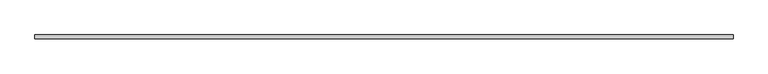
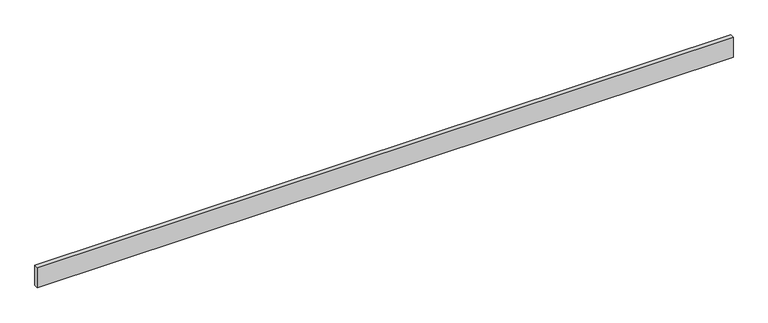
"""IFC4 building model written with IfcOpenShell, lengths in millimetres: beam geometry."""

from ifc_helpers import new_model, si_unit, frame, origin, place, context, project, spatial, polyline, outline, extrude, source, transform, mapped, element, save


def beam_d159d40b(model_context):
    return source(origin(), model_context, "Body", "SweptSolid", [
        extrude(outline(polyline([(3274.0, -18.0), (-3274.0, -18.0), (-3274.0, 18.0), (3274.0, 18.0), (3274.0, -18.0)])), frame((0.0, 0.0, -100.0), z_axis=(0.0, 0.0, 1.0), x_axis=(1.0, 0.0, 0.0)), (0.0, 0.0, 1.0), 200.0),
    ])


if __name__ == "__main__":
    model = new_model("IFC4")
    model_context = context("Model", 3, world=origin())
    ifc_project = project(units=[si_unit("LENGTHUNIT", "METRE", prefix="MILLI")], contexts=[model_context])
    site = spatial("IfcSite", under=ifc_project)
    building = spatial("IfcBuilding", under=site)
    placement = place(None, origin())
    beam_shape = beam_d159d40b(model_context)
    element("IfcBeam", 1, at=placement, inside=building, context=model_context, shape_type="MappedRepresentation", body=[
        mapped(beam_shape, transform((0.0, 0.0, 0.0), x_axis=(1.0, 0.0, 0.0), y_axis=(0.0, 1.0, 0.0), z_axis=(0.0, 0.0, 1.0))),
    ])
    save(model, "model.ifc")
